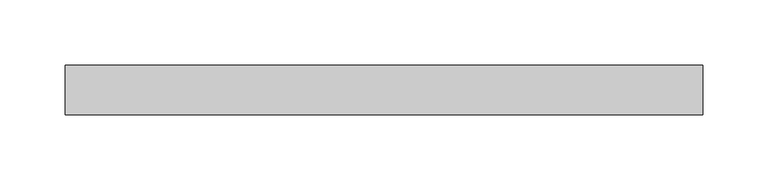
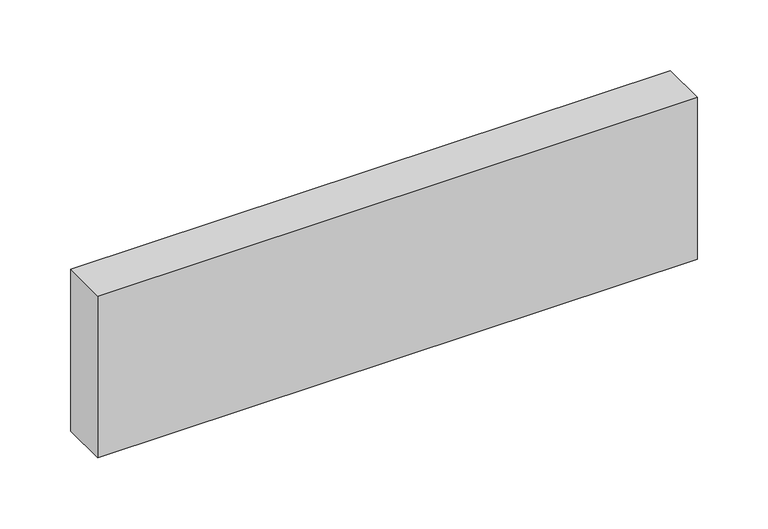
"""IFC4 building model written with IfcOpenShell, lengths in millimetres: beam geometry."""

import ifcopenshell
import ifcopenshell.guid

model = None  # the IFC model being written
_history = None  # IfcOwnerHistory: only IFC2X3 demands one
_inside = {}  # id of a spatial element -> (the spatial element, [elements in it])
_under = {}  # id of a project, library or spatial element -> (it, [spatial elements below it])
_declared = {}  # id of a project -> (the project, [libraries it declares])
_typed = {}  # id of a type object -> (the type object, [elements of that type])
_made_of = {}  # id of a material, layer set ... -> (it, [elements and type objects made of it])


def new_model(schema):
    """Start an empty IFC model of exactly this schema.

    Asked for "IFC4X3", IfcOpenShell would pick the latest addendum, in which some entities
    have other attributes; the version numbers below select the first issue.
    IFC2X3 requires an IfcOwnerHistory on every rooted entity: one is made here for all.
    """
    global model, _history
    if schema == "IFC4X3":
        model = ifcopenshell.file(schema_version=(4, 3, 0, 0))
    else:
        model = ifcopenshell.file(schema=schema)
    _inside.clear()
    _under.clear()
    _declared.clear()
    _typed.clear()
    _made_of.clear()
    _history = None
    if model.schema == "IFC2X3":
        org = make("IfcOrganization", Name="unknown")
        user = make(
            "IfcPersonAndOrganization",
            ThePerson=make("IfcPerson", FamilyName="unknown"),
            TheOrganization=org,
        )
        app = make(
            "IfcApplication",
            ApplicationDeveloper=org,
            Version="unknown",
            ApplicationFullName="unknown",
            ApplicationIdentifier="unknown",
        )
        _history = make(
            "IfcOwnerHistory",
            OwningUser=user,
            OwningApplication=app,
            ChangeAction="ADDED",
            CreationDate=0,
        )
    return model


def make(cls, **values):
    """One entity of the class cls with the attributes given. An attribute that is None is left unset."""
    return model.create_entity(
        cls, **{name: value for name, value in values.items() if value is not None}
    )


def rooted(cls, **values):
    """An entity with a GlobalId (a new one), such as an element, a storey or a relation."""
    return make(cls, GlobalId=ifcopenshell.guid.new(), OwnerHistory=_history, **values)


def si_unit(unit_type, name, prefix=None):
    """IfcSIUnit, for example si_unit("LENGTHUNIT", "METRE", prefix="MILLI")."""
    return make("IfcSIUnit", UnitType=unit_type, Prefix=prefix, Name=name)


def assignment(units):
    """IfcUnitAssignment: the units of a project."""
    return None if units is None else make("IfcUnitAssignment", Units=units)


def point(xyz):
    """IfcCartesianPoint."""
    return None if xyz is None else make("IfcCartesianPoint", Coordinates=xyz)


def direction(xyz):
    """IfcDirection."""
    return None if xyz is None else make("IfcDirection", DirectionRatios=xyz)


def frame(location, z_axis=None, x_axis=None):
    """IfcAxis2Placement3D, a coordinate frame: its origin and axes. An axis left out is left unset."""
    return make(
        "IfcAxis2Placement3D",
        Location=point(location),
        Axis=direction(z_axis),
        RefDirection=direction(x_axis),
    )


def origin():
    """The frame at (0, 0, 0) with its axes left unset."""
    return frame((0.0, 0.0, 0.0))


def place(relative_to, where):
    """IfcLocalPlacement: puts the frame where relative to a parent placement (None: the world)."""
    return make(
        "IfcLocalPlacement", PlacementRelTo=relative_to, RelativePlacement=where
    )


def context(
    kind, dimensions, precision=None, world=None, true_north=None, identifier=None
):
    """IfcGeometricRepresentationContext, for example the 3D "Model" context."""
    return make(
        "IfcGeometricRepresentationContext",
        ContextIdentifier=identifier,
        ContextType=kind,
        CoordinateSpaceDimension=dimensions,
        Precision=precision,
        WorldCoordinateSystem=world,
        TrueNorth=true_north,
    )


def project(units=None, contexts=None):
    """IfcProject with its units and contexts."""
    return rooted(
        "IfcProject",
        Name="project",
        RepresentationContexts=contexts,
        UnitsInContext=assignment(units),
    )


def spatial(cls, under=None, at=None, **own):
    """A site, building, storey or space (cls), placed at a placement, below another one or the project."""
    s = rooted(cls, ObjectPlacement=at, **own)
    if under is not None:
        _under.setdefault(under.id(), (under, []))[1].append(s)
    return s


def polyline(points):
    """IfcPolyline through the points."""
    return make("IfcPolyline", Points=[point(p) for p in points])


def outline(outer, holes=None, kind="AREA"):
    """IfcArbitraryClosedProfileDef: a profile drawn as a closed curve; with holes, ...WithVoids."""
    if holes is None:
        return make("IfcArbitraryClosedProfileDef", ProfileType=kind, OuterCurve=outer)
    return make(
        "IfcArbitraryProfileDefWithVoids",
        ProfileType=kind,
        OuterCurve=outer,
        InnerCurves=holes,
    )


def extrude(swept, where, along, depth):
    """IfcExtrudedAreaSolid: the profile swept, set in the frame where, extruded along a direction by depth."""
    return make(
        "IfcExtrudedAreaSolid",
        SweptArea=swept,
        Position=where,
        ExtrudedDirection=direction(along),
        Depth=depth,
    )


def shape(context_of_items, identifier, shape_type, items):
    """IfcShapeRepresentation: the items that make up one representation, for example the "Body"."""
    return make(
        "IfcShapeRepresentation",
        ContextOfItems=context_of_items,
        RepresentationIdentifier=identifier,
        RepresentationType=shape_type,
        Items=items,
    )


def source(mapping_origin, context_of_items, identifier, shape_type, items):
    """IfcRepresentationMap: a shape defined once, which mapped items show again and again."""
    return make(
        "IfcRepresentationMap",
        MappingOrigin=mapping_origin,
        MappedRepresentation=shape(context_of_items, identifier, shape_type, items),
    )


def transform(
    local_origin,
    x_axis=None,
    y_axis=None,
    z_axis=None,
    scale=None,
    scale2=None,
    scale3=None,
    uniform=True,
):
    """IfcCartesianTransformationOperator3D, or its non-uniform kind. x_axis, y_axis, z_axis: its Axis1, 2, 3."""
    if uniform:
        return make(
            "IfcCartesianTransformationOperator3D",
            Axis1=direction(x_axis),
            Axis2=direction(y_axis),
            LocalOrigin=point(local_origin),
            Scale=scale,
            Axis3=direction(z_axis),
        )
    return make(
        "IfcCartesianTransformationOperator3DnonUniform",
        Axis1=direction(x_axis),
        Axis2=direction(y_axis),
        LocalOrigin=point(local_origin),
        Scale=scale,
        Axis3=direction(z_axis),
        Scale2=scale2,
        Scale3=scale3,
    )


def mapped(mapping_source, mapping_target):
    """IfcMappedItem: shows the shape of a source again, moved by a transform."""
    return make(
        "IfcMappedItem", MappingSource=mapping_source, MappingTarget=mapping_target
    )


def made_of(thing, what):
    """Note that an element or type object is made of a material, layer set ...; save() writes the relation."""
    if what is not None:
        _made_of.setdefault(what.id(), (what, []))[1].append(thing)
    return thing


def element(
    cls,
    number,
    at=None,
    inside=None,
    cuts=None,
    type_object=None,
    material=None,
    context=None,
    identifier="Body",
    shape_type=None,
    held_by="IfcProductDefinitionShape",
    body=None,
    shapes=None,
    **own,
):
    """One element of the class cls, such as IfcWall. Its Tag is "e" and its number.

    at: its placement. inside: the storey or other place that contains it. cuts: it is an
    opening in that element (IfcRelVoidsElement). A single representation is given by context,
    identifier, shape_type and body (its items); several are given by shapes. held_by: the class
    of the entity that holds the representations. save() writes the other relations.
    """
    e = rooted(cls, Tag="e%d" % number, ObjectPlacement=at, **own)
    if body is not None:
        shapes = [shape(context, identifier, shape_type, body)]
    if shapes is not None:
        e.Representation = make(held_by, Representations=shapes)
    if inside is not None:
        _inside.setdefault(inside.id(), (inside, []))[1].append(e)
    if cuts is not None:
        rooted(
            "IfcRelVoidsElement", RelatingBuildingElement=cuts, RelatedOpeningElement=e
        )
    if type_object is not None:
        _typed.setdefault(type_object.id(), (type_object, []))[1].append(e)
    return made_of(e, material)


def aggregate(whole, parts):
    """IfcRelAggregates: a whole, such as a stair, and the parts it consists of."""
    return rooted("IfcRelAggregates", RelatingObject=whole, RelatedObjects=parts)


def save(model, path):
    """Write the relations noted so far, then the file.

    IfcRelAggregates (storeys below a building ...), IfcRelContainedInSpatialStructure (elements
    in a storey), IfcRelDefinesByType, IfcRelAssociatesMaterial and IfcRelDeclares: one each for
    every whole, place, type object, material and project.
    """
    for whole, parts in _under.values():
        aggregate(whole, parts)
    for where, things in _inside.values():
        rooted(
            "IfcRelContainedInSpatialStructure",
            RelatedElements=things,
            RelatingStructure=where,
        )
    for kind, things in _typed.values():
        rooted("IfcRelDefinesByType", RelatedObjects=things, RelatingType=kind)
    for what, things in _made_of.values():
        rooted("IfcRelAssociatesMaterial", RelatedObjects=things, RelatingMaterial=what)
    for by, libraries in _declared.values():
        rooted("IfcRelDeclares", RelatingContext=by, RelatedDefinitions=libraries)
    model.write(path)


def beam_0f4c2ecc(model_context):
    return source(origin(), model_context, "Body", "SweptSolid", [
        extrude(outline(polyline([(244.7726562, -19.05), (-244.7726563, -19.05), (-244.7726563, 19.05), (244.7726562, 19.05), (244.7726562, -19.05)])), frame((0.0, 0.0, -69.85), z_axis=(0.0, 0.0, 1.0), x_axis=(1.0, 0.0, 0.0)), (0.0, 0.0, 1.0), 139.7),
    ])


if __name__ == "__main__":
    model = new_model("IFC4")
    model_context = context("Model", 3, world=origin())
    ifc_project = project(units=[si_unit("LENGTHUNIT", "METRE", prefix="MILLI")], contexts=[model_context])
    site = spatial("IfcSite", under=ifc_project)
    building = spatial("IfcBuilding", under=site)
    placement = place(None, origin())
    beam_shape = beam_0f4c2ecc(model_context)
    element("IfcBeam", 1, at=placement, inside=building, context=model_context, shape_type="MappedRepresentation", body=[
        mapped(beam_shape, transform((0.0, 0.0, 0.0), x_axis=(1.0, 0.0, 0.0), y_axis=(0.0, 1.0, 0.0), z_axis=(0.0, 0.0, 1.0))),
    ])
    save(model, "model.ifc")
